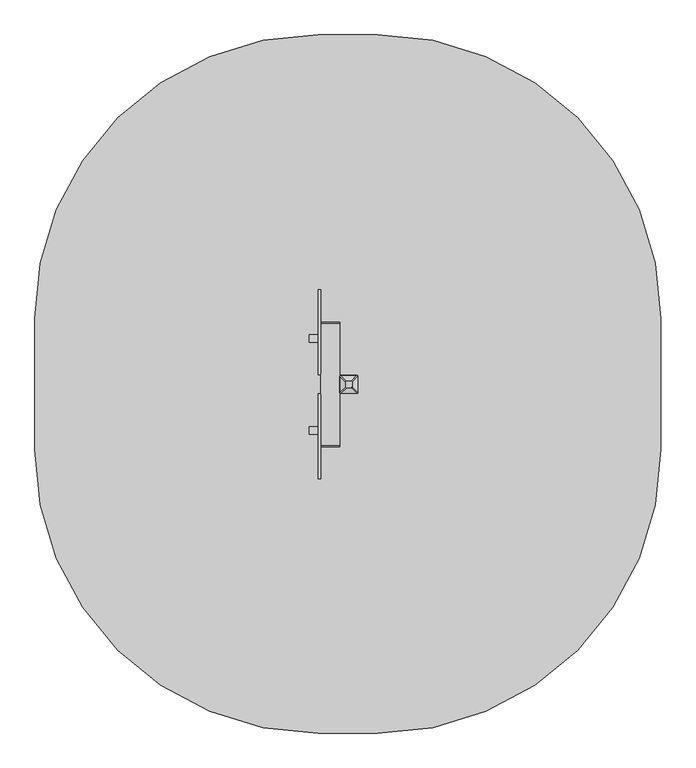
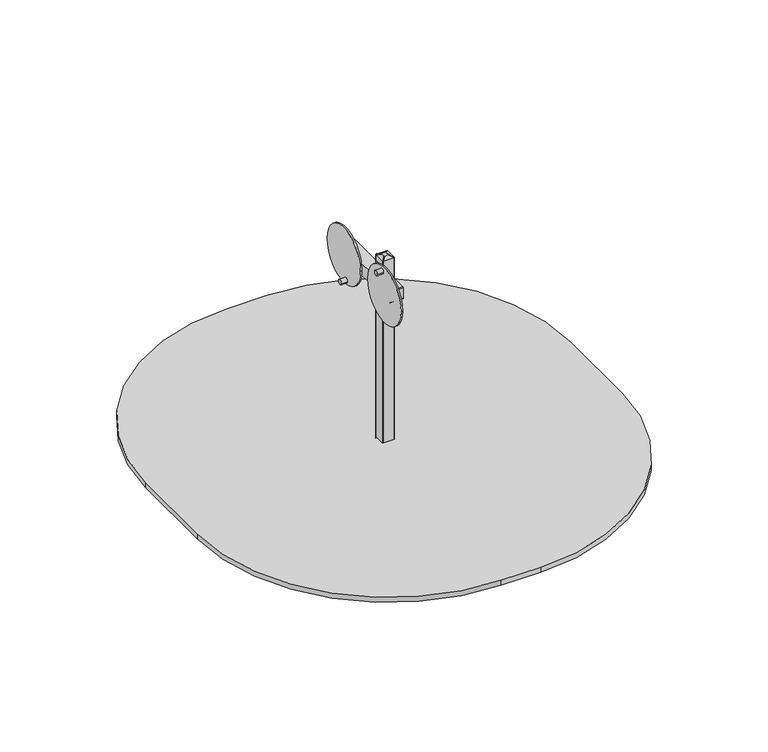
"""IFC4 building model written with IfcOpenShell, lengths in millimetres: furniture geometry."""

from ifc_helpers import new_model, si_unit, point, frame, frame_2d, origin, place, context, project, spatial, polyline, circle_curve, trimmed, segment, composite_curve, outline, extrude, source, transform, mapped, element, save
from ifc_brep_helpers import plane_surface, cylinder_surface, extruded_surface, advanced_brep


def furniture_6aa15baa(model_context):
    return source(origin(), model_context, "Body", "SolidModel", [
        advanced_brep(
        [(17.5, -299.0, 1515.0), (17.5, -274.0, 1515.0), (12.5, -269.0, 1515.0), (-12.5, -269.0, 1515.0), (-17.5, -274.0, 1515.0), (-17.5, -299.0, 1515.0), (-12.5, -304.0, 1515.0), (12.5, -304.0, 1515.0), (47.5, -329.0, 1500.0), (42.5, -334.0, 1500.0), (-42.5, -334.0, 1500.0), (-47.5, -329.0, 1500.0), (-47.5, -244.0, 1500.0), (-42.5, -239.0, 1500.0), (42.5, -239.0, 1500.0), (47.5, -244.0, 1500.0)],
        [
            (0, 1),
            (1, 2, circle_curve(frame((12.5, -274.0, 1515.0), z_axis=(0.0, 0.0, 1.0), x_axis=(1.0, 0.0, 0.0)), 5.0)),
            (2, 3),
            (3, 4, circle_curve(frame((-12.5, -274.0, 1515.0), z_axis=(0.0, 0.0, 1.0), x_axis=(1.0, 0.0, 0.0)), 5.0)),
            (4, 5),
            (5, 6, circle_curve(frame((-12.5, -299.0, 1515.0), z_axis=(0.0, 0.0, 1.0), x_axis=(1.0, 0.0, 0.0)), 5.0)),
            (6, 7),
            (7, 0, circle_curve(frame((12.5, -299.0, 1515.0), z_axis=(0.0, 0.0, 1.0), x_axis=(1.0, 0.0, 0.0)), 5.0)),
            (8, 9, circle_curve(frame((42.5, -329.0, 1500.0), z_axis=(0.0, 0.0, -1.0), x_axis=(1.0, 0.0, 0.0)), 5.0)),
            (9, 10),
            (10, 11, circle_curve(frame((-42.5, -329.0, 1500.0), z_axis=(0.0, 0.0, -1.0), x_axis=(1.0, 0.0, 0.0)), 5.0)),
            (11, 12),
            (12, 13, circle_curve(frame((-42.5, -244.0, 1500.0), z_axis=(0.0, 0.0, -1.0), x_axis=(1.0, 0.0, 0.0)), 5.0)),
            (13, 14),
            (14, 15, circle_curve(frame((42.5, -244.0, 1500.0), z_axis=(0.0, 0.0, -1.0), x_axis=(1.0, 0.0, 0.0)), 5.0)),
            (15, 8),
            (15, 1),
            (0, 8),
            (14, 2),
            (13, 3),
            (12, 4),
            (11, 5),
            (10, 6),
            (9, 7),
        ],
        [
            plane_surface(frame((0.0, -286.5, 1515.0), z_axis=(0.0, 0.0, 1.0), x_axis=(-1.0, 0.0, 0.0))),
            plane_surface(frame((0.0, -286.5, 1500.0), z_axis=(0.0, 0.0, -1.0), x_axis=(-1.0, 0.0, 0.0))),
            plane_surface(frame((47.5, -286.5, 1500.0), z_axis=(0.447213595499958, 0.0, 0.894427190999916), x_axis=(0.0, 1.0, 0.0))),
            extruded_surface(trimmed(circle_curve(frame((42.5, -244.0, 1500.0), z_axis=(0.0, 0.0, 1.0), x_axis=(1.0, 0.0, 0.0)), 5.0), [point((47.5, -244.0, 1500.0))], [point((42.5, -239.0, 1500.0))], True, "CARTESIAN"), (-30.0, -30.0, 15.0), 45.0),
            plane_surface(frame((0.0, -239.0, 1500.0), z_axis=(0.0, 0.447213595499958, 0.894427190999916), x_axis=(-1.0, 0.0, 0.0))),
            extruded_surface(trimmed(circle_curve(frame((-42.5, -244.0, 1500.0), z_axis=(0.0, 0.0, 1.0), x_axis=(1.0, 0.0, 0.0)), 5.0), [point((-42.5, -239.0, 1500.0))], [point((-47.5, -244.0, 1500.0))], True, "CARTESIAN"), (30.0, -30.0, 15.0), 45.0),
            plane_surface(frame((-47.5, -286.5, 1500.0), z_axis=(-0.447213595499958, 0.0, 0.894427190999916), x_axis=(0.0, -1.0, 0.0))),
            extruded_surface(trimmed(circle_curve(frame((-42.5, -329.0, 1500.0), z_axis=(0.0, 0.0, 1.0), x_axis=(1.0, 0.0, 0.0)), 5.0), [point((-47.5, -329.0, 1500.0))], [point((-42.5, -334.0, 1500.0))], True, "CARTESIAN"), (30.0, 30.0, 15.0), 45.0),
            plane_surface(frame((0.0, -334.0, 1500.0), z_axis=(0.0, -0.447213595499958, 0.894427190999916), x_axis=(1.0, 0.0, 0.0))),
            extruded_surface(trimmed(circle_curve(frame((42.5, -329.0, 1500.0), z_axis=(0.0, 0.0, 1.0), x_axis=(1.0, 0.0, 0.0)), 5.0), [point((42.5, -334.0, 1500.0))], [point((47.5, -329.0, 1500.0))], True, "CARTESIAN"), (-30.0, 30.0, 15.0), 45.0),
        ],
        [
            (0, [[1, 2, 3, 4, 5, 6, 7, 8]]),
            (1, [[9, 10, 11, 12, 13, 14, 15, 16]]),
            (2, [[-16, 17, -1, 18]]),
            (3, [[-15, 19, -2, -17]]),
            (4, [[-14, 20, -3, -19]]),
            (5, [[-13, 21, -4, -20]]),
            (6, [[-12, 22, -5, -21]]),
            (7, [[-11, 23, -6, -22]]),
            (8, [[-10, 24, -7, -23]]),
            (9, [[-9, -18, -8, -24]]),
        ],
    ),
        extrude(outline(composite_curve([segment(trimmed(circle_curve(frame_2d((42.5, -329.0)), 5.0), [point((47.5, -329.0))], [point((42.5, -334.0))], False, "CARTESIAN"), True, "CONTINUOUS"), segment(polyline([(42.5, -334.0), (-42.5, -334.0)]), True, "CONTINUOUS"), segment(trimmed(circle_curve(frame_2d((-42.5, -329.0)), 5.0), [point((-42.5, -334.0))], [point((-47.5, -329.0))], False, "CARTESIAN"), True, "CONTINUOUS"), segment(polyline([(-47.5, -329.0), (-47.5, -244.0)]), True, "CONTINUOUS"), segment(trimmed(circle_curve(frame_2d((-42.5, -244.0)), 5.0), [point((-47.5, -244.0))], [point((-42.5, -239.0))], False, "CARTESIAN"), True, "CONTINUOUS"), segment(polyline([(-42.5, -239.0), (42.5, -239.0)]), True, "CONTINUOUS"), segment(trimmed(circle_curve(frame_2d((42.5, -244.0)), 5.0), [point((42.5, -239.0))], [point((47.5, -244.0))], False, "CARTESIAN"), True, "CONTINUOUS"), segment(polyline([(47.5, -244.0), (47.5, -329.0)]), True, "CONTINUOUS")], self_intersect=False)), frame((0.0, 0.0, -600.0), z_axis=(0.0, 0.0, 1.0), x_axis=(1.0, 0.0, 0.0)), (0.0, 0.0, 1.0), 500.0),
        advanced_brep(
        [(90.0, -136.5, -600.0), (150.0, -196.5, -600.0), (150.0, -376.5, -600.0), (90.0, -436.5, -600.0), (-90.0, -436.5, -600.0), (-150.0, -376.5, -600.0), (-150.0, -196.5, -600.0), (-90.0, -136.5, -600.0), (-90.0, -136.5, -460.0), (90.0, -136.5, -460.0), (-150.0, -376.5, -460.0), (-150.0, -196.5, -460.0), (90.0, -436.5, -460.0), (-90.0, -436.5, -460.0), (150.0, -196.5, -460.0), (150.0, -376.5, -460.0), (-12.2959549, -213.8010597, -250.0), (-72.2959549, -273.8010597, -250.0), (-72.2959549, -299.1989403, -250.0), (-12.2959549, -359.1989403, -250.0), (12.2959549, -359.1989403, -250.0), (72.2959549, -299.1989403, -250.0), (72.2959549, -273.8010597, -250.0), (12.2959549, -213.8010597, -250.0)],
        [
            (0, 1, circle_curve(frame((90.0, -196.5, -600.0), z_axis=(0.0, 0.0, -1.0), x_axis=(1.0, 0.0, 0.0)), 60.0)),
            (1, 2),
            (2, 3, circle_curve(frame((90.0, -376.5, -600.0), z_axis=(0.0, 0.0, -1.0), x_axis=(1.0, 0.0, 0.0)), 60.0)),
            (3, 4),
            (4, 5, circle_curve(frame((-90.0, -376.5, -600.0), z_axis=(0.0, 0.0, -1.0), x_axis=(1.0, 0.0, 0.0)), 60.0)),
            (5, 6),
            (6, 7, circle_curve(frame((-90.0, -196.5, -600.0), z_axis=(0.0, 0.0, -1.0), x_axis=(1.0, 0.0, 0.0)), 60.0)),
            (7, 0),
            (7, 8),
            (8, 9),
            (9, 0),
            (5, 10),
            (10, 11),
            (11, 6),
            (3, 12),
            (12, 13),
            (13, 4),
            (1, 14),
            (14, 15),
            (15, 2),
            (16, 17, circle_curve(frame((-12.2959549, -273.8010597, -250.0), z_axis=(0.0, 0.0, 1.0), x_axis=(1.0, 0.0, 0.0)), 60.0)),
            (17, 18),
            (18, 19, circle_curve(frame((-12.2959549, -299.1989403, -250.0), z_axis=(0.0, 0.0, 1.0), x_axis=(1.0, 0.0, 0.0)), 60.0)),
            (19, 20),
            (20, 21, circle_curve(frame((12.2959549, -299.1989403, -250.0), z_axis=(0.0, 0.0, 1.0), x_axis=(1.0, 0.0, 0.0)), 60.0)),
            (21, 22),
            (22, 23, circle_curve(frame((12.2959549, -273.8010597, -250.0), z_axis=(0.0, 0.0, 1.0), x_axis=(1.0, 0.0, 0.0)), 60.0)),
            (23, 16),
            (17, 11),
            (10, 18),
            (19, 13),
            (12, 20),
            (21, 15),
            (14, 22),
            (23, 9),
            (8, 16),
            (11, 8, circle_curve(frame((-90.0, -196.5, -460.0), z_axis=(0.0, 0.0, -1.0), x_axis=(1.0, 0.0, 0.0)), 60.0)),
            (13, 10, circle_curve(frame((-90.0, -376.5, -460.0), z_axis=(0.0, 0.0, -1.0), x_axis=(1.0, 0.0, 0.0)), 60.0)),
            (15, 12, circle_curve(frame((90.0, -376.5, -460.0), z_axis=(0.0, 0.0, -1.0), x_axis=(1.0, 0.0, 0.0)), 60.0)),
            (9, 14, circle_curve(frame((90.0, -196.5, -460.0), z_axis=(0.0, 0.0, -1.0), x_axis=(1.0, 0.0, 0.0)), 60.0)),
        ],
        [
            plane_surface(frame((-176.6329682, -136.5, -600.0), z_axis=(0.0, 0.0, -1.0), x_axis=(1.0, 0.0, 0.0))),
            plane_surface(frame((90.0, -136.5, -460.0), z_axis=(0.0, 1.0, 0.0), x_axis=(0.0, 0.0, -1.0))),
            plane_surface(frame((-150.0, -196.5, -460.0), z_axis=(-1.0, 0.0, 0.0), x_axis=(0.0, 0.0, -1.0))),
            plane_surface(frame((-90.0, -436.5, -460.0), z_axis=(0.0, -1.0, 0.0), x_axis=(0.0, 0.0, -1.0))),
            plane_surface(frame((150.0, -376.5, -460.0), z_axis=(1.0, 0.0, 0.0), x_axis=(0.0, 0.0, -1.0))),
            plane_surface(frame((0.0, -286.5, -250.0), z_axis=(0.0, 0.0, 1.0), x_axis=(-1.0, 0.0, 0.0))),
            plane_surface(frame((-150.0, -286.5, -460.0), z_axis=(-0.9378559633153523, 0.0, 0.3470247715564883), x_axis=(0.0, -1.0, 0.0))),
            plane_surface(frame((0.0, -436.5, -460.0), z_axis=(0.0, -0.9384407279810882, 0.3454402988452927), x_axis=(1.0, 0.0, 0.0))),
            plane_surface(frame((150.0, -286.5, -460.0), z_axis=(0.9378559633153524, 0.0, 0.34702477155648764), x_axis=(0.0, 1.0, 0.0))),
            plane_surface(frame((0.0, -136.5, -460.0), z_axis=(0.0, 0.9384407279810884, 0.3454402988452924), x_axis=(-1.0, 0.0, 0.0))),
            cylinder_surface(frame((-90.0, -196.5, -600.0), z_axis=(0.0, 0.0, 1.0), x_axis=(1.0, 0.0, 0.0)), 60.0),
            cylinder_surface(frame((-90.0, -376.5, -600.0), z_axis=(0.0, 0.0, 1.0), x_axis=(1.0, 0.0, 0.0)), 60.0),
            cylinder_surface(frame((90.0, -376.5, -600.0), z_axis=(0.0, 0.0, 1.0), x_axis=(1.0, 0.0, 0.0)), 60.0),
            cylinder_surface(frame((90.0, -196.5, -600.0), z_axis=(0.0, 0.0, 1.0), x_axis=(1.0, 0.0, 0.0)), 60.0),
            extruded_surface(trimmed(circle_curve(frame((-90.0, -196.5, -460.0), z_axis=(0.0, 0.0, 1.0), x_axis=(1.0, 0.0, 0.0)), 60.0), [point((-90.0, -136.5, -460.0))], [point((-150.0, -196.5, -460.0))], True, "CARTESIAN"), (77.7040451, -77.3010597, 210.0), 236.8826132404947),
            extruded_surface(trimmed(circle_curve(frame((90.0, -196.5, -460.0), z_axis=(0.0, 0.0, 1.0), x_axis=(1.0, 0.0, 0.0)), 60.0), [point((150.0, -196.5, -460.0))], [point((90.0, -136.5, -460.0))], True, "CARTESIAN"), (-77.7040451, -77.3010597, 210.0), 236.8826132404947),
            extruded_surface(trimmed(circle_curve(frame((-90.0, -376.5, -460.0), z_axis=(0.0, 0.0, 1.0), x_axis=(1.0, 0.0, 0.0)), 60.0), [point((-150.0, -376.5, -460.0))], [point((-90.0, -436.5, -460.0))], True, "CARTESIAN"), (77.7040451, 77.3010597, 210.0), 236.8826132404947),
            extruded_surface(trimmed(circle_curve(frame((90.0, -376.5, -460.0), z_axis=(0.0, 0.0, 1.0), x_axis=(1.0, 0.0, 0.0)), 60.0), [point((90.0, -436.5, -460.0))], [point((150.0, -376.5, -460.0))], True, "CARTESIAN"), (-77.7040451, 77.3010597, 210.0), 236.8826132404947),
        ],
        [
            (0, [[1, 2, 3, 4, 5, 6, 7, 8]]),
            (1, [[-8, 9, 10, 11]]),
            (2, [[-6, 12, 13, 14]]),
            (3, [[-4, 15, 16, 17]]),
            (4, [[-2, 18, 19, 20]]),
            (5, [[21, 22, 23, 24, 25, 26, 27, 28]]),
            (6, [[-22, 29, -13, 30]]),
            (7, [[-24, 31, -16, 32]]),
            (8, [[-26, 33, -19, 34]]),
            (9, [[-28, 35, -10, 36]]),
            (10, [[-7, -14, 37, -9]]),
            (11, [[-5, -17, 38, -12]]),
            (12, [[-3, -20, 39, -15]]),
            (13, [[-1, -11, 40, -18]]),
            (14, [[-21, -36, -37, -29]]),
            (15, [[-27, -34, -40, -35]]),
            (16, [[-23, -30, -38, -31]]),
            (17, [[-25, -32, -39, -33]]),
        ],
    ),
        extrude(outline(composite_curve([segment(trimmed(circle_curve(frame_2d((-529.7391654, 1581.7388796)), 20.0), [point((-509.7391654, 1581.7388796))], [point((-549.7391654, 1581.7388796))], False, "CARTESIAN"), True, "CONTINUOUS"), segment(trimmed(circle_curve(frame_2d((-529.7391654, 1581.7388796)), 20.0), [point((-549.7391654, 1581.7388796))], [point((-509.7391654, 1581.7388796))], False, "CARTESIAN"), True, "CONTINUOUS")], self_intersect=False)), frame((-210.0, 0.0, 0.0), z_axis=(1.0, 0.0, 0.0), x_axis=(0.0, 1.0, 0.0)), (0.0, 0.0, 1.0), 48.0),
        extrude(outline(composite_curve([segment(trimmed(circle_curve(frame_2d((-43.2608346, 1210.948117)), 20.0), [point((-23.2608346, 1210.948117))], [point((-63.2608346, 1210.948117))], False, "CARTESIAN"), True, "CONTINUOUS"), segment(trimmed(circle_curve(frame_2d((-43.2608346, 1210.948117)), 20.0), [point((-63.2608346, 1210.948117))], [point((-23.2608346, 1210.948117))], False, "CARTESIAN"), True, "CONTINUOUS")], self_intersect=False)), frame((-210.0, 0.0, 0.0), z_axis=(1.0, 0.0, 0.0), x_axis=(0.0, 1.0, 0.0)), (0.0, 0.0, 1.0), 48.0),
        extrude(outline(composite_curve([segment(trimmed(circle_curve(frame_2d((-559.9375, 1400.0)), 225.0), [point((-334.9375, 1400.0))], [point((-784.9375, 1400.0))], False, "CARTESIAN"), True, "CONTINUOUS"), segment(trimmed(circle_curve(frame_2d((-559.9375, 1400.0)), 225.0), [point((-784.9375, 1400.0))], [point((-334.9375, 1400.0))], False, "CARTESIAN"), True, "CONTINUOUS")], self_intersect=False)), frame((-162.0, 0.0, 0.0), z_axis=(1.0, 0.0, 0.0), x_axis=(0.0, 1.0, 0.0)), (0.0, 0.0, 1.0), 12.0),
        extrude(outline(composite_curve([segment(trimmed(circle_curve(frame_2d((-11.5, 1400.0)), 225.0), [point((213.5, 1400.0))], [point((-236.5, 1400.0))], False, "CARTESIAN"), True, "CONTINUOUS"), segment(trimmed(circle_curve(frame_2d((-11.5, 1400.0)), 225.0), [point((-236.5, 1400.0))], [point((213.5, 1400.0))], False, "CARTESIAN"), True, "CONTINUOUS")], self_intersect=False)), frame((-162.0, 0.0, 0.0), z_axis=(1.0, 0.0, 0.0), x_axis=(0.0, 1.0, 0.0)), (0.0, 0.0, 1.0), 12.0),
        extrude(outline(composite_curve([segment(polyline([(-611.5, 1458.675873), (38.5, 1458.675873)]), True, "CONTINUOUS"), segment(trimmed(circle_curve(frame_2d((38.5, 1453.675873)), 5.0), [point((38.5, 1458.675873))], [point((43.5, 1453.675873))], False, "CARTESIAN"), True, "CONTINUOUS"), segment(polyline([(43.5, 1453.675873), (43.5, 1368.675873)]), True, "CONTINUOUS"), segment(trimmed(circle_curve(frame_2d((38.5, 1368.675873)), 5.0), [point((43.5, 1368.675873))], [point((38.5, 1363.675873))], False, "CARTESIAN"), True, "CONTINUOUS"), segment(polyline([(38.5, 1363.675873), (-611.5, 1363.675873)]), True, "CONTINUOUS"), segment(trimmed(circle_curve(frame_2d((-611.5, 1368.675873)), 5.0), [point((-611.5, 1363.675873))], [point((-616.5, 1368.675873))], False, "CARTESIAN"), True, "CONTINUOUS"), segment(polyline([(-616.5, 1368.675873), (-616.5, 1453.675873)]), True, "CONTINUOUS"), segment(trimmed(circle_curve(frame_2d((-611.5, 1453.675873)), 5.0), [point((-616.5, 1453.675873))], [point((-611.5, 1458.675873))], False, "CARTESIAN"), True, "CONTINUOUS")], self_intersect=False)), frame((-150.0, 0.0, 0.0), z_axis=(1.0, 0.0, 0.0), x_axis=(0.0, 1.0, 0.0)), (0.0, 0.0, 1.0), 102.5),
        extrude(outline(composite_curve([segment(trimmed(circle_curve(frame_2d((150.0, 63.5)), 1500.0), [point((150.0, 1563.5))], [point((1650.0, 63.5))], False, "CARTESIAN"), True, "CONTINUOUS"), segment(polyline([(1650.0, 63.5), (1650.0, -631.5)]), True, "CONTINUOUS"), segment(trimmed(circle_curve(frame_2d((150.0, -631.5)), 1500.0), [point((1650.0, -631.5))], [point((150.0, -2131.5))], False, "CARTESIAN"), True, "CONTINUOUS"), segment(polyline([(150.0, -2131.5), (-162.0, -2131.5)]), True, "CONTINUOUS"), segment(trimmed(circle_curve(frame_2d((-162.0, -631.5)), 1500.0), [point((-162.0, -2131.5))], [point((-1662.0, -631.5))], False, "CARTESIAN"), True, "CONTINUOUS"), segment(polyline([(-1662.0, -631.5), (-1662.0, 63.5)]), True, "CONTINUOUS"), segment(trimmed(circle_curve(frame_2d((-162.0, 63.5)), 1500.0), [point((-1662.0, 63.5))], [point((-162.0, 1563.5))], False, "CARTESIAN"), True, "CONTINUOUS"), segment(polyline([(-162.0, 1563.5), (150.0, 1563.5)]), True, "CONTINUOUS")], self_intersect=False)), frame((0.0, 0.0, -40.0), z_axis=(0.0, 0.0, 1.0), x_axis=(1.0, 0.0, 0.0)), (0.0, 0.0, 1.0), 41.0),
        extrude(outline(composite_curve([segment(polyline([(-42.5, -239.0), (42.5, -239.0)]), True, "CONTINUOUS"), segment(trimmed(circle_curve(frame_2d((42.5, -244.0)), 5.0), [point((42.5, -239.0))], [point((47.5, -244.0))], False, "CARTESIAN"), True, "CONTINUOUS"), segment(polyline([(47.5, -244.0), (47.5, -329.0)]), True, "CONTINUOUS"), segment(trimmed(circle_curve(frame_2d((42.5, -329.0)), 5.0), [point((47.5, -329.0))], [point((42.5, -334.0))], False, "CARTESIAN"), True, "CONTINUOUS"), segment(polyline([(42.5, -334.0), (-42.5, -334.0)]), True, "CONTINUOUS"), segment(trimmed(circle_curve(frame_2d((-42.5, -329.0)), 5.0), [point((-42.5, -334.0))], [point((-47.5, -329.0))], False, "CARTESIAN"), True, "CONTINUOUS"), segment(polyline([(-47.5, -329.0), (-47.5, -244.0)]), True, "CONTINUOUS"), segment(trimmed(circle_curve(frame_2d((-42.5, -244.0)), 5.0), [point((-47.5, -244.0))], [point((-42.5, -239.0))], False, "CARTESIAN"), True, "CONTINUOUS")], self_intersect=False)), frame((0.0, 0.0, -100.0), z_axis=(0.0, 0.0, 1.0), x_axis=(1.0, 0.0, 0.0)), (0.0, 0.0, 1.0), 1600.0),
    ])


if __name__ == "__main__":
    model = new_model("IFC4")
    model_context = context("Model", 3, world=origin())
    ifc_project = project(units=[si_unit("LENGTHUNIT", "METRE", prefix="MILLI")], contexts=[model_context])
    site = spatial("IfcSite", under=ifc_project)
    building = spatial("IfcBuilding", under=site)
    placement = place(None, origin())
    furniture_shape = furniture_6aa15baa(model_context)
    element("IfcFurniture", 1, at=placement, inside=building, context=model_context, shape_type="MappedRepresentation", body=[
        mapped(furniture_shape, transform((0.0, 0.0, 0.0), x_axis=(1.0, 0.0, 0.0), y_axis=(0.0, 1.0, 0.0), z_axis=(0.0, 0.0, 1.0))),
    ])
    save(model, "model.ifc")
